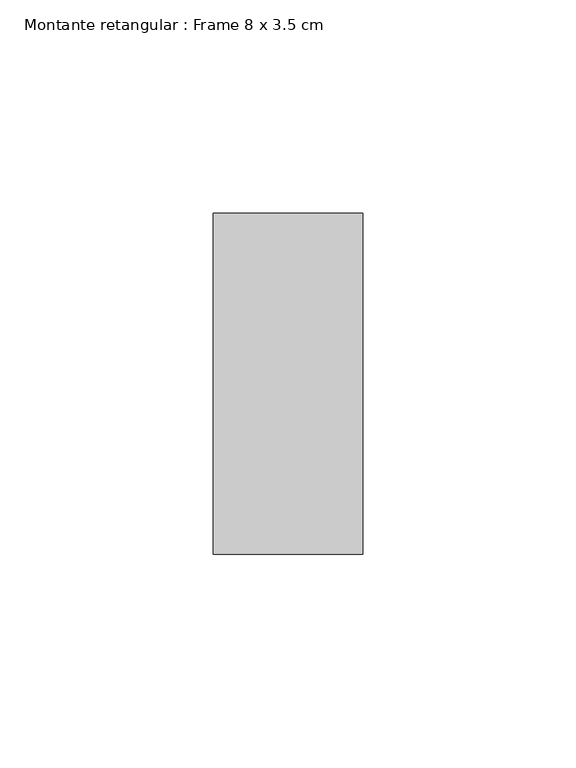
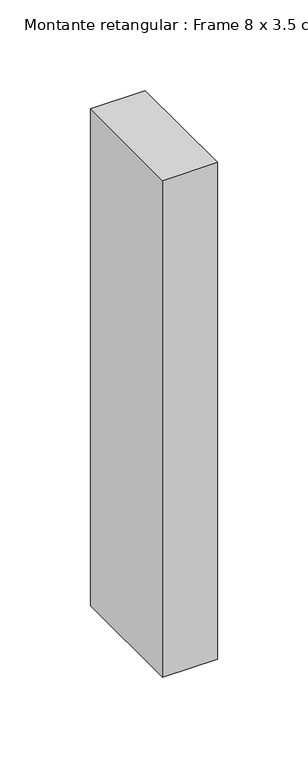
"""IFC4 building model written with IfcOpenShell, lengths in millimetres: member geometry, Montante retangular : Frame 8 x 3.5 cm."""

from ifc_helpers import new_model, si_unit, frame, origin, place, context, project, spatial, polyline, outline, extrude, source, transform, mapped, element, save


def montante_retangular_frame_8_x_3_5_cm_6a18433f(model_context):
    return source(origin(), model_context, "Body", "SweptSolid", [
        extrude(outline(polyline([(0.0, 40.0), (0.0, -40.0), (-35.0, -40.0), (-35.0, 40.0), (0.0, 40.0)])), frame((0.0, 0.0, -335.0), z_axis=(0.0, 0.0, 1.0), x_axis=(1.0, 0.0, 0.0)), (0.0, 0.0, 1.0), 335.0),
    ])


if __name__ == "__main__":
    model = new_model("IFC4")
    model_context = context("Model", 3, world=origin())
    ifc_project = project(units=[si_unit("LENGTHUNIT", "METRE", prefix="MILLI")], contexts=[model_context])
    site = spatial("IfcSite", under=ifc_project)
    building = spatial("IfcBuilding", under=site)
    placement = place(None, origin())
    montante_retangular_frame_8_x_3_5_cm_shape = montante_retangular_frame_8_x_3_5_cm_6a18433f(model_context)
    element("IfcMember", 1, ObjectType="Montante retangular : Frame 8 x 3.5 cm", at=placement, inside=building, context=model_context, shape_type="MappedRepresentation", body=[
        mapped(montante_retangular_frame_8_x_3_5_cm_shape, transform((0.0, 0.0, 0.0), x_axis=(1.0, 0.0, 0.0), y_axis=(0.0, 1.0, 0.0), z_axis=(0.0, 0.0, 1.0))),
    ])
    save(model, "model.ifc")
